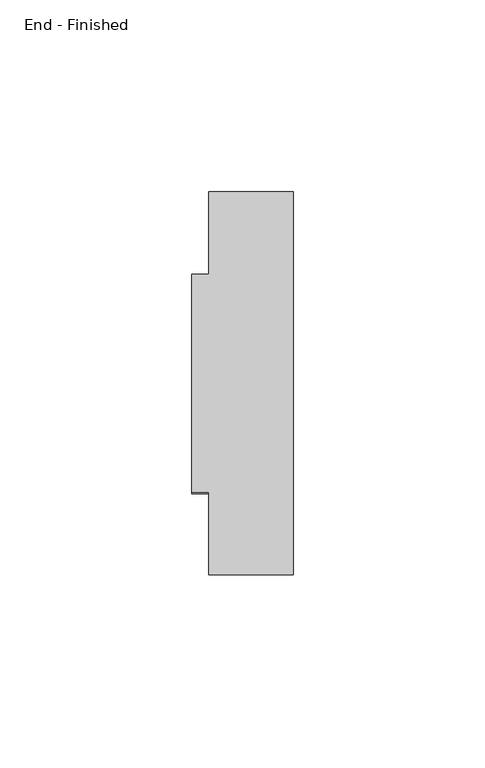
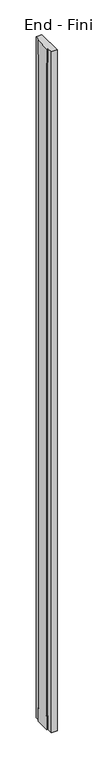
"""IFC4 building model written with IfcOpenShell, lengths in millimetres: furniture geometry, End - Finished."""

from ifc_helpers import new_model, si_unit, origin, place, context, project, spatial, faceted_brep, source, transform, mapped, element, save


def end_finished_83028f66(model_context):
    return source(origin(), model_context, "Body", "Brep", [
        faceted_brep([(0.0, 1749.552, 2688.082), (0.0, 1749.552, 2743.2), (0.0, 1806.448, 2743.2), (0.0, 1806.448, 2688.082), (0.0, 1803.146, 2688.082), (0.0, 1803.146, 55.118), (0.0, 1806.448, 55.118), (0.0, 1806.448, 0.0), (0.0, 1749.552, 0.0), (0.0, 1749.552, 55.118), (0.0, 1752.854, 55.118), (0.0, 1752.854, 2688.082), (4.4958, 1749.552, 2688.082), (4.4958, 1749.552, 2743.2), (4.4958, 1728.0001, 2743.2), (26.4922, 1728.0001, 2743.2), (26.4922, 1827.9999, 2743.2), (4.4958, 1827.9999, 2743.2), (4.4958, 1806.448, 2743.2), (4.4958, 1806.448, 2688.082), (4.4958, 1803.146, 2688.082), (4.4958, 1803.146, 55.118), (4.4958, 1806.448, 55.118), (4.4958, 1806.448, 0.0), (4.4958, 1827.9999, 0.0), (26.4922, 1827.9999, 0.0), (26.4922, 1728.0001, 0.0), (4.4958, 1728.0001, 0.0), (4.4958, 1749.552, 0.0), (4.4958, 1749.552, 55.118), (4.4958, 1752.854, 55.118), (4.4958, 1752.854, 2688.082)], [[[0, 1, 2, 3, 4, 5, 6, 7, 8, 9, 10, 11]], [[0, 12, 13, 1]], [[1, 13, 14, 15, 16, 17, 18, 2]], [[2, 18, 19, 3]], [[3, 19, 20, 4]], [[4, 20, 21, 5]], [[5, 21, 22, 6]], [[6, 22, 23, 7]], [[7, 23, 24, 25, 26, 27, 28, 8]], [[8, 28, 29, 9]], [[9, 29, 30, 10]], [[10, 30, 31, 11]], [[11, 31, 12, 0]], [[14, 27, 26, 15]], [[14, 13, 12, 31, 30, 29, 28, 27]], [[24, 23, 22, 21, 20, 19, 18, 17]], [[16, 25, 24, 17]], [[15, 26, 25, 16]]]),
    ])


if __name__ == "__main__":
    model = new_model("IFC4")
    model_context = context("Model", 3, world=origin())
    ifc_project = project(units=[si_unit("LENGTHUNIT", "METRE", prefix="MILLI")], contexts=[model_context])
    site = spatial("IfcSite", under=ifc_project)
    building = spatial("IfcBuilding", under=site)
    placement = place(None, origin())
    end_finished_shape = end_finished_83028f66(model_context)
    element("IfcFurniture", 1, ObjectType="End - Finished", at=placement, inside=building, context=model_context, shape_type="MappedRepresentation", body=[
        mapped(end_finished_shape, transform((0.0, 0.0, 0.0), x_axis=(1.0, 0.0, 0.0), y_axis=(0.0, 1.0, 0.0), z_axis=(0.0, 0.0, 1.0))),
    ])
    save(model, "model.ifc")
